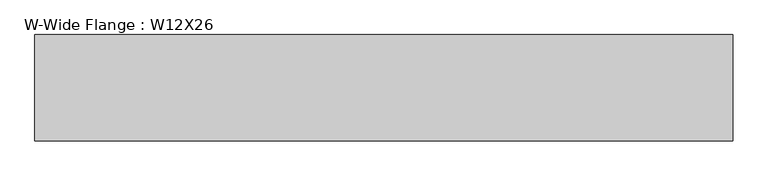
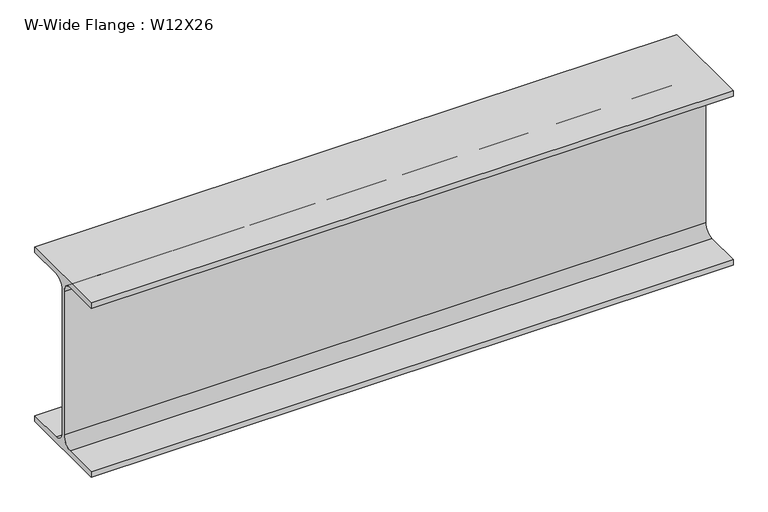
"""IFC4 building model written with IfcOpenShell, lengths in millimetres: beam geometry, W-Wide Flange : W12X26."""

from ifc_helpers import new_model, si_unit, point, frame, frame_2d, origin, place, context, project, spatial, polyline, circle_curve, trimmed, segment, composite_curve, outline, extrude, source, transform, mapped, element, save


def w_wide_flange_w12x26_5db1cfe7(model_context):
    return source(origin(), model_context, "Body", "SweptSolid", [
        extrude(outline(composite_curve([segment(polyline([(82.4011719, -145.5539063), (82.4011719, -155.178125), (-82.4011719, -155.178125), (-82.4011719, -145.5539063), (-20.2902344, -145.5539063)]), True, "CONTINUOUS"), segment(trimmed(circle_curve(frame_2d((-20.2902344, -128.190625)), 17.3632812), [point((-20.2902344, -145.5539063))], [point((-2.9269531, -128.190625))], True, "CARTESIAN"), True, "CONTINUOUS"), segment(polyline([(-2.9269531, -128.190625), (-2.9269531, 128.190625)]), True, "CONTINUOUS"), segment(trimmed(circle_curve(frame_2d((-20.2902344, 128.190625)), 17.3632812), [point((-2.9269531, 128.190625))], [point((-20.2902344, 145.5539062))], True, "CARTESIAN"), True, "CONTINUOUS"), segment(polyline([(-20.2902344, 145.5539062), (-82.4011719, 145.5539062), (-82.4011719, 155.178125), (82.4011719, 155.178125), (82.4011719, 145.5539062), (20.2902344, 145.5539062)]), True, "CONTINUOUS"), segment(trimmed(circle_curve(frame_2d((20.2902344, 128.190625)), 17.3632812), [point((20.2902344, 145.5539062))], [point((2.9269531, 128.190625))], True, "CARTESIAN"), True, "CONTINUOUS"), segment(polyline([(2.9269531, 128.190625), (2.9269531, -128.190625)]), True, "CONTINUOUS"), segment(trimmed(circle_curve(frame_2d((20.2902344, -128.190625)), 17.3632812), [point((2.9269531, -128.190625))], [point((20.2902344, -145.5539063))], True, "CARTESIAN"), True, "CONTINUOUS"), segment(polyline([(20.2902344, -145.5539063), (82.4011719, -145.5539063)]), True, "CONTINUOUS")], self_intersect=False)), frame((-831.866866, 0.0, 0.0), z_axis=(1.0, 0.0, 0.0), x_axis=(0.0, 1.0, 0.0)), (0.0, 0.0, 1.0), 1082.116173),
    ])


if __name__ == "__main__":
    model = new_model("IFC4")
    model_context = context("Model", 3, world=origin())
    ifc_project = project(units=[si_unit("LENGTHUNIT", "METRE", prefix="MILLI")], contexts=[model_context])
    site = spatial("IfcSite", under=ifc_project)
    building = spatial("IfcBuilding", under=site)
    placement = place(None, origin())
    w_wide_flange_w12x26_shape = w_wide_flange_w12x26_5db1cfe7(model_context)
    element("IfcBeam", 1, ObjectType="W-Wide Flange : W12X26", at=placement, inside=building, context=model_context, shape_type="MappedRepresentation", body=[
        mapped(w_wide_flange_w12x26_shape, transform((0.0, 0.0, 0.0), x_axis=(1.0, 0.0, 0.0), y_axis=(0.0, 1.0, 0.0), z_axis=(0.0, 0.0, 1.0))),
    ])
    save(model, "model.ifc")
